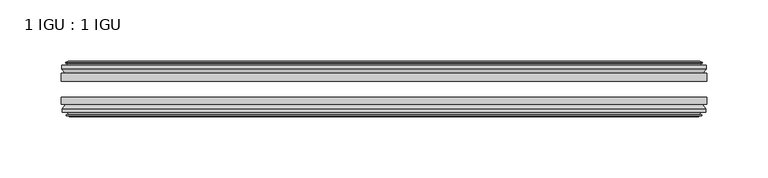
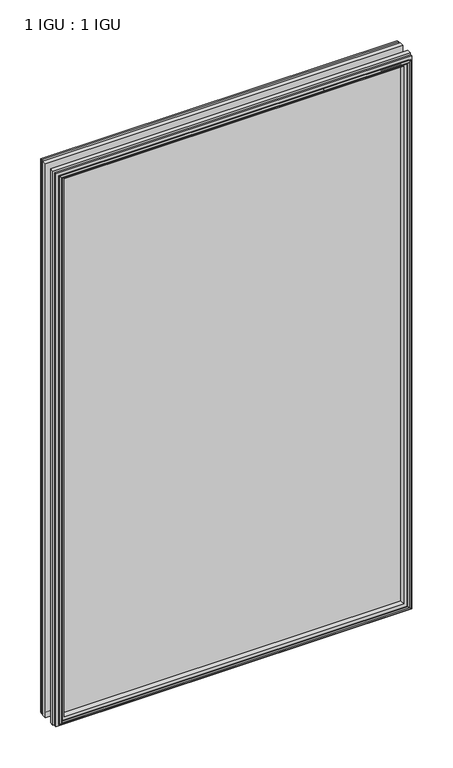
"""IFC4 building model written with IfcOpenShell, lengths in millimetres: plate geometry, 1 IGU : 1 IGU."""

import ifcopenshell
import ifcopenshell.guid

model = None  # the IFC model being written
_history = None  # IfcOwnerHistory: only IFC2X3 demands one
_inside = {}  # id of a spatial element -> (the spatial element, [elements in it])
_under = {}  # id of a project, library or spatial element -> (it, [spatial elements below it])
_declared = {}  # id of a project -> (the project, [libraries it declares])
_typed = {}  # id of a type object -> (the type object, [elements of that type])
_made_of = {}  # id of a material, layer set ... -> (it, [elements and type objects made of it])


def new_model(schema):
    """Start an empty IFC model of exactly this schema.

    Asked for "IFC4X3", IfcOpenShell would pick the latest addendum, in which some entities
    have other attributes; the version numbers below select the first issue.
    IFC2X3 requires an IfcOwnerHistory on every rooted entity: one is made here for all.
    """
    global model, _history
    if schema == "IFC4X3":
        model = ifcopenshell.file(schema_version=(4, 3, 0, 0))
    else:
        model = ifcopenshell.file(schema=schema)
    _inside.clear()
    _under.clear()
    _declared.clear()
    _typed.clear()
    _made_of.clear()
    _history = None
    if model.schema == "IFC2X3":
        org = make("IfcOrganization", Name="unknown")
        user = make(
            "IfcPersonAndOrganization",
            ThePerson=make("IfcPerson", FamilyName="unknown"),
            TheOrganization=org,
        )
        app = make(
            "IfcApplication",
            ApplicationDeveloper=org,
            Version="unknown",
            ApplicationFullName="unknown",
            ApplicationIdentifier="unknown",
        )
        _history = make(
            "IfcOwnerHistory",
            OwningUser=user,
            OwningApplication=app,
            ChangeAction="ADDED",
            CreationDate=0,
        )
    return model


def make(cls, **values):
    """One entity of the class cls with the attributes given. An attribute that is None is left unset."""
    return model.create_entity(
        cls, **{name: value for name, value in values.items() if value is not None}
    )


def rooted(cls, **values):
    """An entity with a GlobalId (a new one), such as an element, a storey or a relation."""
    return make(cls, GlobalId=ifcopenshell.guid.new(), OwnerHistory=_history, **values)


def si_unit(unit_type, name, prefix=None):
    """IfcSIUnit, for example si_unit("LENGTHUNIT", "METRE", prefix="MILLI")."""
    return make("IfcSIUnit", UnitType=unit_type, Prefix=prefix, Name=name)


def assignment(units):
    """IfcUnitAssignment: the units of a project."""
    return None if units is None else make("IfcUnitAssignment", Units=units)


def point(xyz):
    """IfcCartesianPoint."""
    return None if xyz is None else make("IfcCartesianPoint", Coordinates=xyz)


def direction(xyz):
    """IfcDirection."""
    return None if xyz is None else make("IfcDirection", DirectionRatios=xyz)


def frame(location, z_axis=None, x_axis=None):
    """IfcAxis2Placement3D, a coordinate frame: its origin and axes. An axis left out is left unset."""
    return make(
        "IfcAxis2Placement3D",
        Location=point(location),
        Axis=direction(z_axis),
        RefDirection=direction(x_axis),
    )


def origin():
    """The frame at (0, 0, 0) with its axes left unset."""
    return frame((0.0, 0.0, 0.0))


def place(relative_to, where):
    """IfcLocalPlacement: puts the frame where relative to a parent placement (None: the world)."""
    return make(
        "IfcLocalPlacement", PlacementRelTo=relative_to, RelativePlacement=where
    )


def context(
    kind, dimensions, precision=None, world=None, true_north=None, identifier=None
):
    """IfcGeometricRepresentationContext, for example the 3D "Model" context."""
    return make(
        "IfcGeometricRepresentationContext",
        ContextIdentifier=identifier,
        ContextType=kind,
        CoordinateSpaceDimension=dimensions,
        Precision=precision,
        WorldCoordinateSystem=world,
        TrueNorth=true_north,
    )


def project(units=None, contexts=None):
    """IfcProject with its units and contexts."""
    return rooted(
        "IfcProject",
        Name="project",
        RepresentationContexts=contexts,
        UnitsInContext=assignment(units),
    )


def spatial(cls, under=None, at=None, **own):
    """A site, building, storey or space (cls), placed at a placement, below another one or the project."""
    s = rooted(cls, ObjectPlacement=at, **own)
    if under is not None:
        _under.setdefault(under.id(), (under, []))[1].append(s)
    return s


def polyline(points):
    """IfcPolyline through the points."""
    return make("IfcPolyline", Points=[point(p) for p in points])


def outline(outer, holes=None, kind="AREA"):
    """IfcArbitraryClosedProfileDef: a profile drawn as a closed curve; with holes, ...WithVoids."""
    if holes is None:
        return make("IfcArbitraryClosedProfileDef", ProfileType=kind, OuterCurve=outer)
    return make(
        "IfcArbitraryProfileDefWithVoids",
        ProfileType=kind,
        OuterCurve=outer,
        InnerCurves=holes,
    )


def extrude(swept, where, along, depth):
    """IfcExtrudedAreaSolid: the profile swept, set in the frame where, extruded along a direction by depth."""
    return make(
        "IfcExtrudedAreaSolid",
        SweptArea=swept,
        Position=where,
        ExtrudedDirection=direction(along),
        Depth=depth,
    )


def faces_of(points, faces, orient=None, outer=None):
    """IfcFace entities. A face is a list of loops; a loop is a list of indices into points, from 0.

    orient and outer hold one flag for each loop. By default every Orientation is true, the
    first loop of a face is its IfcFaceOuterBound and the others are IfcFaceBound.
    """
    made = []
    for i, loops in enumerate(faces):
        bounds = []
        for j, loop in enumerate(loops):
            is_outer = j == 0 if outer is None else outer[i][j]
            bounds.append(
                make(
                    "IfcFaceOuterBound" if is_outer else "IfcFaceBound",
                    Bound=make("IfcPolyLoop", Polygon=[points[k] for k in loop]),
                    Orientation=True if orient is None else orient[i][j],
                )
            )
        made.append(make("IfcFace", Bounds=bounds))
    return made


def faceted_brep(points, faces, orient=None, outer=None, voids=None):
    """IfcFacetedBrep: a solid bounded by flat faces; with voids (closed shells), ...WithVoids."""
    shared = [point(p) for p in points]
    hull = make("IfcClosedShell", CfsFaces=faces_of(shared, faces, orient, outer))
    if voids is None:
        return make("IfcFacetedBrep", Outer=hull)
    return make(
        "IfcFacetedBrepWithVoids",
        Outer=hull,
        Voids=[
            make(cls, CfsFaces=faces_of(shared, fs, o, b)) for cls, fs, o, b in voids
        ],
    )


def shape(context_of_items, identifier, shape_type, items):
    """IfcShapeRepresentation: the items that make up one representation, for example the "Body"."""
    return make(
        "IfcShapeRepresentation",
        ContextOfItems=context_of_items,
        RepresentationIdentifier=identifier,
        RepresentationType=shape_type,
        Items=items,
    )


def source(mapping_origin, context_of_items, identifier, shape_type, items):
    """IfcRepresentationMap: a shape defined once, which mapped items show again and again."""
    return make(
        "IfcRepresentationMap",
        MappingOrigin=mapping_origin,
        MappedRepresentation=shape(context_of_items, identifier, shape_type, items),
    )


def transform(
    local_origin,
    x_axis=None,
    y_axis=None,
    z_axis=None,
    scale=None,
    scale2=None,
    scale3=None,
    uniform=True,
):
    """IfcCartesianTransformationOperator3D, or its non-uniform kind. x_axis, y_axis, z_axis: its Axis1, 2, 3."""
    if uniform:
        return make(
            "IfcCartesianTransformationOperator3D",
            Axis1=direction(x_axis),
            Axis2=direction(y_axis),
            LocalOrigin=point(local_origin),
            Scale=scale,
            Axis3=direction(z_axis),
        )
    return make(
        "IfcCartesianTransformationOperator3DnonUniform",
        Axis1=direction(x_axis),
        Axis2=direction(y_axis),
        LocalOrigin=point(local_origin),
        Scale=scale,
        Axis3=direction(z_axis),
        Scale2=scale2,
        Scale3=scale3,
    )


def mapped(mapping_source, mapping_target):
    """IfcMappedItem: shows the shape of a source again, moved by a transform."""
    return make(
        "IfcMappedItem", MappingSource=mapping_source, MappingTarget=mapping_target
    )


def made_of(thing, what):
    """Note that an element or type object is made of a material, layer set ...; save() writes the relation."""
    if what is not None:
        _made_of.setdefault(what.id(), (what, []))[1].append(thing)
    return thing


def element(
    cls,
    number,
    at=None,
    inside=None,
    cuts=None,
    type_object=None,
    material=None,
    context=None,
    identifier="Body",
    shape_type=None,
    held_by="IfcProductDefinitionShape",
    body=None,
    shapes=None,
    **own,
):
    """One element of the class cls, such as IfcWall. Its Tag is "e" and its number.

    at: its placement. inside: the storey or other place that contains it. cuts: it is an
    opening in that element (IfcRelVoidsElement). A single representation is given by context,
    identifier, shape_type and body (its items); several are given by shapes. held_by: the class
    of the entity that holds the representations. save() writes the other relations.
    """
    e = rooted(cls, Tag="e%d" % number, ObjectPlacement=at, **own)
    if body is not None:
        shapes = [shape(context, identifier, shape_type, body)]
    if shapes is not None:
        e.Representation = make(held_by, Representations=shapes)
    if inside is not None:
        _inside.setdefault(inside.id(), (inside, []))[1].append(e)
    if cuts is not None:
        rooted(
            "IfcRelVoidsElement", RelatingBuildingElement=cuts, RelatedOpeningElement=e
        )
    if type_object is not None:
        _typed.setdefault(type_object.id(), (type_object, []))[1].append(e)
    return made_of(e, material)


def aggregate(whole, parts):
    """IfcRelAggregates: a whole, such as a stair, and the parts it consists of."""
    return rooted("IfcRelAggregates", RelatingObject=whole, RelatedObjects=parts)


def save(model, path):
    """Write the relations noted so far, then the file.

    IfcRelAggregates (storeys below a building ...), IfcRelContainedInSpatialStructure (elements
    in a storey), IfcRelDefinesByType, IfcRelAssociatesMaterial and IfcRelDeclares: one each for
    every whole, place, type object, material and project.
    """
    for whole, parts in _under.values():
        aggregate(whole, parts)
    for where, things in _inside.values():
        rooted(
            "IfcRelContainedInSpatialStructure",
            RelatedElements=things,
            RelatingStructure=where,
        )
    for kind, things in _typed.values():
        rooted("IfcRelDefinesByType", RelatedObjects=things, RelatingType=kind)
    for what, things in _made_of.values():
        rooted("IfcRelAssociatesMaterial", RelatedObjects=things, RelatingMaterial=what)
    for by, libraries in _declared.values():
        rooted("IfcRelDeclares", RelatingContext=by, RelatedDefinitions=libraries)
    model.write(path)


def plate_1_igu_1_igu_460c18ea(model_context):
    return source(origin(), model_context, "Body", "SolidModel", [
        extrude(outline(polyline([(263.2777469, -25.8960937), (263.2777469, -32.2460938), (-263.2777469, -32.2460938), (-263.2777469, -25.8960937), (263.2777469, -25.8960937)])), frame((0.0, 0.0, -12.7), z_axis=(0.0, 0.0, 1.0), x_axis=(1.0, 0.0, 0.0)), (0.0, 0.0, 1.0), 863.6),
        extrude(outline(polyline([(-263.2777469, -51.2960938), (-263.2777469, -45.2686737), (263.2777469, -45.2686737), (263.2777469, -51.2960938), (-263.2777469, -51.2960938)])), frame((0.0, 0.0, -12.7), z_axis=(0.0, 0.0, 1.0), x_axis=(1.0, 0.0, 0.0)), (0.0, 0.0, 1.0), 863.6),
        faceted_brep([(-257.6897469, -60.0262907, 845.312), (-258.0707469, -57.6460937, 845.693), (-258.0707469, -57.6460937, -7.493), (-257.6897469, -60.0262907, -7.112), (-259.1052759, -59.5663575, 846.7275291), (-259.1052759, -59.5663575, -8.5275291), (-259.1052759, -60.3675717, 846.7275291), (-259.1052759, -60.3675717, -8.5275291), (-256.9277469, -61.0750937, 844.55), (-256.9277469, -61.0750937, -6.35), (-254.7502178, -60.3675717, 842.3724709), (-254.7502178, -60.3675717, -4.1724709), (-254.7502178, -59.5663575, 842.3724709), (-254.7502178, -59.5663575, -4.1724709), (-256.1657469, -60.0262907, 843.788), (-256.1657469, -60.0262907, -5.588), (-255.7847469, -57.6460937, 843.407), (-255.7847469, -57.6460937, -5.207), (-248.8600288, -51.2960937, 836.4822819), (-250.5777469, -57.6460937, 838.2), (-250.5777469, -57.6460937, 0.0), (-248.8600288, -51.2960937, 1.7177181), (-262.5157469, -54.6996937, 850.138), (-259.6814047, -51.2960937, 847.3036578), (-259.6814047, -51.2960937, -9.1036578), (-262.5157469, -54.6996937, -11.938), (-262.5157469, -57.6460937, 850.138), (-262.5157469, -57.6460937, -11.938), (258.0707469, -57.6460938, -7.493), (257.6897469, -60.0262907, -7.112), (259.1052759, -59.5663575, -8.5275291), (259.1052759, -60.3675717, -8.5275291), (256.9277469, -61.0750937, -6.35), (254.7502178, -60.3675717, -4.1724709), (254.7502178, -59.5663575, -4.1724709), (256.1657469, -60.0262907, -5.588), (255.7847469, -57.6460937, -5.207), (250.5777469, -57.6460937, 0.0), (248.8600288, -51.2960937, 1.7177181), (259.6814047, -51.2960937, -9.1036578), (262.5157469, -54.6996937, -11.938), (262.5157469, -57.6460938, -11.938), (258.0707469, -57.6460938, 845.693), (257.6897469, -60.0262907, 845.312), (259.1052759, -59.5663575, 846.7275291), (259.1052759, -60.3675717, 846.7275291), (256.9277469, -61.0750937, 844.55), (254.7502178, -60.3675717, 842.3724709), (254.7502178, -59.5663575, 842.3724709), (256.1657469, -60.0262907, 843.788), (255.7847469, -57.6460937, 843.407), (250.5777469, -57.6460937, 838.2), (248.8600288, -51.2960937, 836.4822819), (259.6814047, -51.2960937, 847.3036578), (262.5157469, -54.6996937, 850.138), (262.5157469, -57.6460938, 850.138)], [[[0, 1, 2, 3]], [[4, 0, 3, 5]], [[6, 4, 5, 7]], [[8, 6, 7, 9]], [[10, 8, 9, 11]], [[12, 10, 11, 13]], [[14, 12, 13, 15]], [[16, 14, 15, 17]], [[18, 19, 20, 21]], [[22, 23, 24, 25]], [[26, 22, 25, 27]], [[3, 2, 28, 29]], [[5, 3, 29, 30]], [[7, 5, 30, 31]], [[9, 7, 31, 32]], [[11, 9, 32, 33]], [[13, 11, 33, 34]], [[15, 13, 34, 35]], [[17, 15, 35, 36]], [[21, 20, 37, 38]], [[25, 24, 39, 40]], [[27, 25, 40, 41]], [[29, 28, 42, 43]], [[30, 29, 43, 44]], [[31, 30, 44, 45]], [[32, 31, 45, 46]], [[33, 32, 46, 47]], [[34, 33, 47, 48]], [[35, 34, 48, 49]], [[36, 35, 49, 50]], [[38, 37, 51, 52]], [[40, 39, 53, 54]], [[41, 40, 54, 55]], [[27, 41, 55, 26], [1, 42, 28, 2]], [[43, 42, 1, 0]], [[44, 43, 0, 4]], [[45, 44, 4, 6]], [[46, 45, 6, 8]], [[47, 46, 8, 10]], [[48, 47, 10, 12]], [[49, 48, 12, 14]], [[50, 49, 14, 16]], [[17, 36, 50, 16], [19, 51, 37, 20]], [[52, 51, 19, 18]], [[23, 53, 39, 24], [21, 38, 52, 18]], [[54, 53, 23, 22]], [[55, 54, 22, 26]]]),
        faceted_brep([(-260.2021047, -25.8960937, 847.8243578), (-263.0364469, -22.4924937, 850.6587), (-263.0364469, -22.4924937, -12.4587), (-260.2021047, -25.8960937, -9.6243578), (-251.0984469, -19.5460937, 838.7207), (-249.3807288, -25.8960937, 837.0029819), (-249.3807288, -25.8960937, 1.1970181), (-251.0984469, -19.5460937, -0.5207), (-256.6864469, -17.1658968, 844.3087), (-256.3054469, -19.5460937, 843.9277), (-256.3054469, -19.5460937, -5.7277), (-256.6864469, -17.1658968, -6.1087), (-255.2709178, -17.62583, 842.8931709), (-255.2709178, -17.62583, -4.6931709), (-255.2709178, -16.8246158, 842.8931709), (-255.2709178, -16.8246158, -4.6931709), (-257.4484469, -16.1170937, 845.0707), (-257.4484469, -16.1170937, -6.8707), (-259.6259759, -16.8246158, 847.2482291), (-259.6259759, -16.8246158, -9.0482291), (-259.6259759, -17.62583, 847.2482291), (-259.6259759, -17.62583, -9.0482291), (-258.2104469, -17.1658968, 845.8327), (-258.2104469, -17.1658968, -7.6327), (-258.5914469, -19.5460937, 846.2137), (-258.5914469, -19.5460937, -8.0137), (-263.0364469, -19.5460937, 850.6587), (-263.0364469, -19.5460937, -12.4587), (263.0364469, -22.4924937, -12.4587), (260.2021047, -25.8960937, -9.6243578), (249.3807288, -25.8960937, 1.1970181), (251.0984469, -19.5460937, -0.5207), (256.3054469, -19.5460937, -5.7277), (256.6864469, -17.1658968, -6.1087), (255.2709178, -17.62583, -4.6931709), (255.2709178, -16.8246158, -4.6931709), (257.4484469, -16.1170937, -6.8707), (259.6259759, -16.8246158, -9.0482291), (259.6259759, -17.62583, -9.0482291), (258.2104469, -17.1658968, -7.6327), (258.5914469, -19.5460937, -8.0137), (263.0364469, -19.5460937, -12.4587), (263.0364469, -22.4924937, 850.6587), (260.2021047, -25.8960937, 847.8243578), (249.3807288, -25.8960937, 837.0029819), (251.0984469, -19.5460937, 838.7207), (256.3054469, -19.5460937, 843.9277), (256.6864469, -17.1658968, 844.3087), (255.2709178, -17.62583, 842.8931709), (255.2709178, -16.8246158, 842.8931709), (257.4484469, -16.1170937, 845.0707), (259.6259759, -16.8246158, 847.2482291), (259.6259759, -17.62583, 847.2482291), (258.2104469, -17.1658968, 845.8327), (258.5914469, -19.5460937, 846.2137), (263.0364469, -19.5460937, 850.6587)], [[[0, 1, 2, 3]], [[4, 5, 6, 7]], [[8, 9, 10, 11]], [[12, 8, 11, 13]], [[14, 12, 13, 15]], [[16, 14, 15, 17]], [[18, 16, 17, 19]], [[20, 18, 19, 21]], [[22, 20, 21, 23]], [[24, 22, 23, 25]], [[1, 26, 27, 2]], [[3, 2, 28, 29]], [[7, 6, 30, 31]], [[11, 10, 32, 33]], [[13, 11, 33, 34]], [[15, 13, 34, 35]], [[17, 15, 35, 36]], [[19, 17, 36, 37]], [[21, 19, 37, 38]], [[23, 21, 38, 39]], [[25, 23, 39, 40]], [[2, 27, 41, 28]], [[29, 28, 42, 43]], [[31, 30, 44, 45]], [[33, 32, 46, 47]], [[34, 33, 47, 48]], [[35, 34, 48, 49]], [[36, 35, 49, 50]], [[37, 36, 50, 51]], [[38, 37, 51, 52]], [[39, 38, 52, 53]], [[40, 39, 53, 54]], [[28, 41, 55, 42]], [[43, 42, 1, 0]], [[3, 29, 43, 0], [5, 44, 30, 6]], [[45, 44, 5, 4]], [[9, 46, 32, 10], [7, 31, 45, 4]], [[47, 46, 9, 8]], [[48, 47, 8, 12]], [[49, 48, 12, 14]], [[50, 49, 14, 16]], [[51, 50, 16, 18]], [[52, 51, 18, 20]], [[53, 52, 20, 22]], [[54, 53, 22, 24]], [[26, 55, 41, 27], [25, 40, 54, 24]], [[42, 55, 26, 1]]]),
    ])


if __name__ == "__main__":
    model = new_model("IFC4")
    model_context = context("Model", 3, world=origin())
    ifc_project = project(units=[si_unit("LENGTHUNIT", "METRE", prefix="MILLI")], contexts=[model_context])
    site = spatial("IfcSite", under=ifc_project)
    building = spatial("IfcBuilding", under=site)
    placement = place(None, origin())
    plate_1_igu_1_igu_shape = plate_1_igu_1_igu_460c18ea(model_context)
    element("IfcPlate", 1, ObjectType="1 IGU : 1 IGU", at=placement, inside=building, context=model_context, shape_type="MappedRepresentation", body=[
        mapped(plate_1_igu_1_igu_shape, transform((0.0, 0.0, 0.0), x_axis=(1.0, 0.0, 0.0), y_axis=(0.0, 1.0, 0.0), z_axis=(0.0, 0.0, 1.0))),
    ])
    save(model, "model.ifc")
